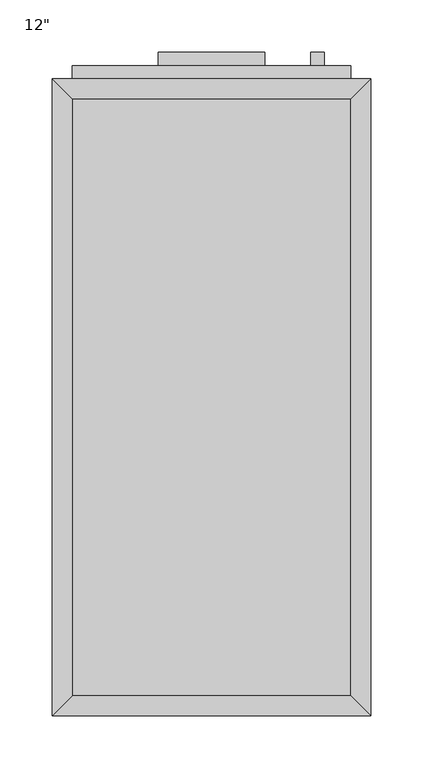
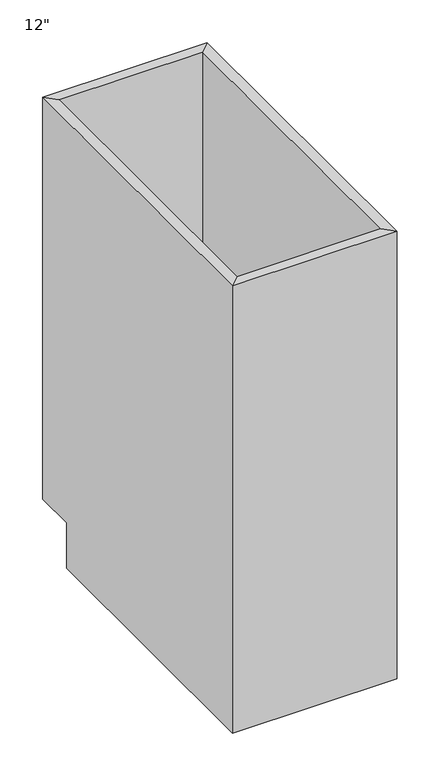
"""IFC4 building model written with IfcOpenShell, lengths in millimetres: furniture geometry."""

from ifc_helpers import new_model, si_unit, frame, origin, place, context, project, spatial, polyline, outline, extrude, faceted_brep, source, transform, mapped, element, save


def furniture_337523c0(model_context):
    return source(origin(), model_context, "Body", "SolidModel", [
        faceted_brep([(152.0877049, 590.55, 876.3), (-114.6122951, 590.55, 876.3), (-114.6122951, 590.55, 88.9), (152.0877049, 590.55, 88.9), (171.1377049, 609.6, 876.3), (-133.6622951, 609.6, 876.3), (171.1377049, 609.6, 88.9), (-133.6622951, 609.6, 88.9), (-114.6122951, 19.05, 876.3), (-114.6122951, 19.05, 88.9), (-114.6122951, 533.4, 88.9), (-133.6622951, 0.0, 876.3), (-133.6622951, 533.4, 88.9), (-133.6622951, 533.4, 0.0), (-133.6622951, 0.0, 0.0), (152.0877049, 19.05, 876.3), (152.0877049, 19.05, 88.9), (171.1377049, 0.0, 876.3), (171.1377049, 0.0, 0.0), (152.0877049, 533.4, 88.9), (171.1377049, 533.4, 0.0), (171.1377049, 533.4, 88.9)], [[[0, 1, 2, 3]], [[0, 4, 5, 1]], [[4, 6, 7, 5]], [[2, 7, 6, 3]], [[1, 8, 9, 10, 2]], [[5, 11, 8, 1]], [[7, 12, 13, 14, 11, 5]], [[2, 10, 12, 7]], [[8, 15, 16, 9]], [[11, 17, 15, 8]], [[14, 18, 17, 11]], [[3, 19, 16, 15, 0]], [[0, 15, 17, 4]], [[4, 17, 18, 20, 21, 6]], [[6, 21, 19, 3]], [[10, 9, 16, 19]], [[18, 14, 13, 20]], [[13, 12, 10, 19, 21, 20]]]),
        extrude(outline(polyline([(126.6877049, 635.0), (126.6877049, 622.3), (113.9877049, 622.3), (113.9877049, 635.0), (126.6877049, 635.0)])), frame((0.0, 0.0, 596.9), z_axis=(0.0, 0.0, 1.0), x_axis=(1.0, 0.0, 0.0)), (0.0, 0.0, 1.0), 101.6),
        extrude(outline(polyline([(69.5377049, 635.0), (69.5377049, 622.3), (-32.0622951, 622.3), (-32.0622951, 635.0), (69.5377049, 635.0)])), frame((0.0, 0.0, 819.15), z_axis=(0.0, 0.0, 1.0), x_axis=(1.0, 0.0, 0.0)), (0.0, 0.0, 1.0), 12.7),
        extrude(outline(polyline([(152.0877049, 622.3), (152.0877049, 609.6), (-114.6122951, 609.6), (-114.6122951, 622.3), (152.0877049, 622.3)])), frame((0.0, 0.0, 107.95), z_axis=(0.0, 0.0, 1.0), x_axis=(1.0, 0.0, 0.0)), (0.0, 0.0, 1.0), 628.65),
        extrude(outline(polyline([(152.0877049, 622.3), (152.0877049, 609.6), (-114.6122951, 609.6), (-114.6122951, 622.3), (152.0877049, 622.3)])), frame((0.0, 0.0, 755.65), z_axis=(0.0, 0.0, 1.0), x_axis=(1.0, 0.0, 0.0)), (0.0, 0.0, 1.0), 101.6),
        extrude(outline(polyline([(152.0877049, 19.05), (-114.6122951, 19.05), (-114.6122951, 590.55), (152.0877049, 590.55), (152.0877049, 19.05)])), frame((0.0, 0.0, 88.9), z_axis=(0.0, 0.0, 1.0), x_axis=(1.0, 0.0, 0.0)), (0.0, 0.0, 1.0), 19.05),
    ])


if __name__ == "__main__":
    model = new_model("IFC4")
    model_context = context("Model", 3, world=origin())
    ifc_project = project(units=[si_unit("LENGTHUNIT", "METRE", prefix="MILLI")], contexts=[model_context])
    site = spatial("IfcSite", under=ifc_project)
    building = spatial("IfcBuilding", under=site)
    placement = place(None, origin())
    furniture_shape = furniture_337523c0(model_context)
    element("IfcFurniture", 1, ObjectType="12\"", at=placement, inside=building, context=model_context, shape_type="MappedRepresentation", body=[
        mapped(furniture_shape, transform((0.0, 0.0, 0.0), x_axis=(1.0, 0.0, 0.0), y_axis=(0.0, 1.0, 0.0), z_axis=(0.0, 0.0, 1.0))),
    ])
    save(model, "model.ifc")
